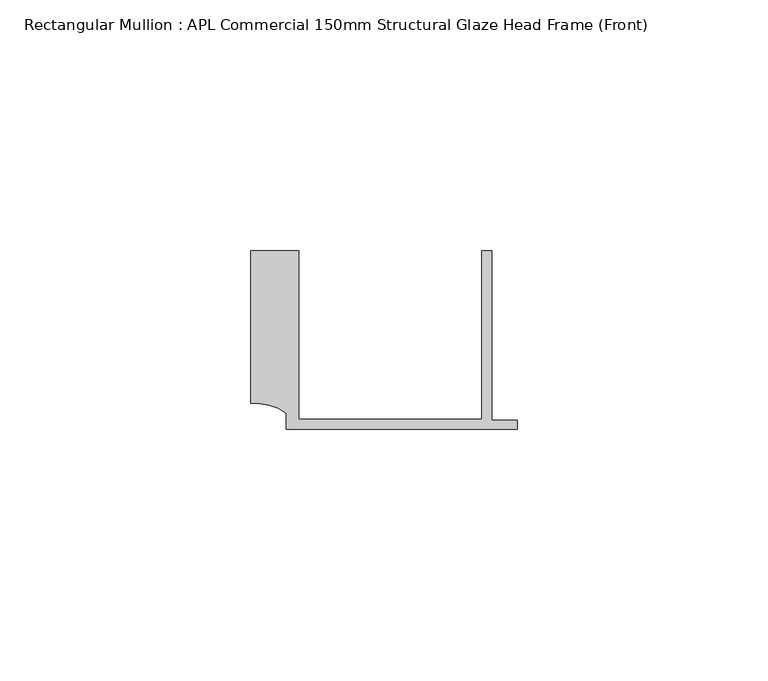
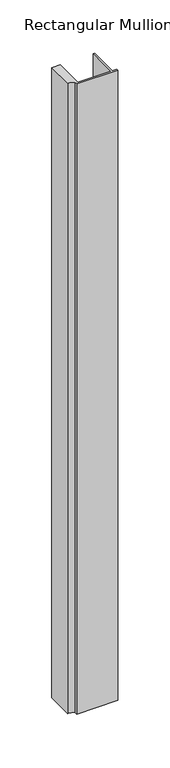
"""IFC4 building model written with IfcOpenShell, lengths in millimetres: member geometry, Rectangular Mullion : APL Commercial 150mm Structural Glaze Head Frame (Front)."""

from ifc_helpers import new_model, si_unit, point, frame, frame_2d, origin, place, context, project, spatial, polyline, circle_curve, trimmed, segment, composite_curve, outline, extrude, source, transform, mapped, element, save


def rectangular_mullion_apl_commercial_150mm_structural_glaze_8bffc57e(model_context):
    return source(origin(), model_context, "Body", "SweptSolid", [
        extrude(outline(composite_curve([segment(polyline([(-52.9999542, 15.0), (-43.5000151, 15.0), (-43.5000151, -18.5002486), (-7.0, -18.5002486), (-7.0, 15.0), (-5.0, 15.0), (-5.0, -18.7002486), (0.0, -18.7002486), (0.0, -20.5002486), (-45.9999994, -20.5002486), (-45.9999994, -17.3126154)]), True, "CONTINUOUS"), segment(trimmed(circle_curve(frame_2d((-52.109817, -25.7982641)), 10.4563907), [point((-45.9999994, -17.3126154))], [point((-52.9999542, -15.3798304))], True, "CARTESIAN"), True, "CONTINUOUS"), segment(polyline([(-52.9999542, -15.3798304), (-52.9999542, 15.0)]), True, "CONTINUOUS")], self_intersect=False)), frame((0.0, 0.0, -742.0500913), z_axis=(0.0, 0.0, 1.0), x_axis=(1.0, 0.0, 0.0)), (0.0, 0.0, 1.0), 742.0500913),
    ])


if __name__ == "__main__":
    model = new_model("IFC4")
    model_context = context("Model", 3, world=origin())
    ifc_project = project(units=[si_unit("LENGTHUNIT", "METRE", prefix="MILLI")], contexts=[model_context])
    site = spatial("IfcSite", under=ifc_project)
    building = spatial("IfcBuilding", under=site)
    placement = place(None, origin())
    rectangular_mullion_apl_commercial_150mm_structural_glaze_shape = rectangular_mullion_apl_commercial_150mm_structural_glaze_8bffc57e(model_context)
    element("IfcMember", 1, ObjectType="Rectangular Mullion : APL Commercial 150mm Structural Glaze Head Frame (Front)", at=placement, inside=building, context=model_context, shape_type="MappedRepresentation", body=[
        mapped(rectangular_mullion_apl_commercial_150mm_structural_glaze_shape, transform((0.0, 0.0, 0.0), x_axis=(1.0, 0.0, 0.0), y_axis=(0.0, 1.0, 0.0), z_axis=(0.0, 0.0, 1.0))),
    ])
    save(model, "model.ifc")
